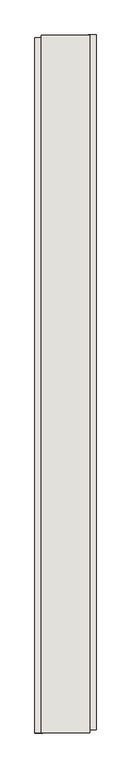
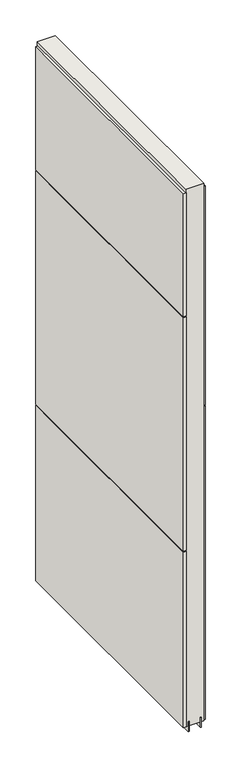
"""IFC4 building model written with IfcOpenShell, lengths in millimetres: wall geometry."""

from ifc_helpers import new_model, si_unit, frame, origin, place, context, project, spatial, polyline, outline, extrude, source, transform, mapped, element, save


def wall_a4df7e5d(model_context):
    return source(origin(), model_context, "Body", "SweptSolid", [
        extrude(outline(polyline([(48846.142211, -39473.6947634), (48846.142211, -39471.1547634), (48848.682211, -39471.1547634), (48848.682211, -39473.6947634), (48846.142211, -39473.6947634)])), frame((0.0, 0.0, 4419.6), z_axis=(0.0, 0.0, 1.0), x_axis=(1.0, 0.0, 0.0)), (0.0, 0.0, 1.0), 2.54),
        extrude(outline(polyline([(48898.212211, -39470.6896894), (48898.212211, -40626.0895122), (48885.512211, -40626.0895122), (48885.512211, -39470.6896894), (48898.212211, -39470.6896894)])), frame((0.0, 0.0, 5945.6000722), z_axis=(0.0, 0.0, 1.0), x_axis=(1.0, 0.0, 0.0)), (0.0, 0.0, 1.0), 1044.449905),
        extrude(outline(polyline([(48898.212211, -39470.6896894), (48898.212211, -40626.0895122), (48885.512211, -40626.0895122), (48885.512211, -39470.6896894), (48898.212211, -39470.6896894)])), frame((0.0, 0.0, 4445.0), z_axis=(0.0, 0.0, 1.0), x_axis=(1.0, 0.0, 0.0)), (0.0, 0.0, 1.0), 1496.600004),
        extrude(outline(polyline([(48796.612211, -40631.019449), (48796.612211, -39475.6196262), (48809.312211, -39475.6196262), (48809.312211, -40631.019449), (48796.612211, -40631.019449)])), frame((0.0, 0.0, 6402.8000722), z_axis=(0.0, 0.0, 1.0), x_axis=(1.0, 0.0, 0.0)), (0.0, 0.0, 1.0), 587.2498034),
        extrude(outline(polyline([(48796.612211, -40631.019449), (48796.612211, -39475.6196262), (48809.312211, -39475.6196262), (48809.312211, -40631.019449), (48796.612211, -40631.019449)])), frame((0.0, 0.0, 5285.2000722), z_axis=(0.0, 0.0, 1.0), x_axis=(1.0, 0.0, 0.0)), (0.0, 0.0, 1.0), 1113.5999572),
        extrude(outline(polyline([(48796.612211, -40631.019449), (48796.612211, -39475.6196262), (48809.312211, -39475.6196262), (48809.312211, -40631.019449), (48796.612211, -40631.019449)])), frame((0.0, 0.0, 4445.0), z_axis=(0.0, 0.0, 1.0), x_axis=(1.0, 0.0, 0.0)), (0.0, 0.0, 1.0), 836.200004),
        extrude(outline(polyline([(48872.4959556, -40630.5525208), (48872.4959556, -39471.1442224), (48877.574711, -39471.1442224), (48877.574711, -40630.5525208), (48872.4959556, -40630.5525208)])), frame((0.0, 0.0, 4418.6602), z_axis=(0.0, 0.0, 1.0), x_axis=(1.0, 0.0, 0.0)), (0.0, 0.0, 1.0), 47.625),
        extrude(outline(polyline([(48872.4959556, -40630.5525208), (48872.4959556, -39471.1442224), (48877.574711, -39471.1442224), (48877.574711, -40630.5525208), (48872.4959556, -40630.5525208)])), frame((0.0, 0.0, 4418.6602), z_axis=(0.0, 0.0, 1.0), x_axis=(1.0, 0.0, 0.0)), (0.0, 0.0, 1.0), 47.625),
        extrude(outline(polyline([(48822.3315652, -39471.1442224), (48822.3315652, -40630.5525208), (48817.249711, -40630.5525208), (48817.249711, -39471.1442224), (48822.3315652, -39471.1442224)])), frame((0.0, 0.0, 4418.6602), z_axis=(0.0, 0.0, 1.0), x_axis=(1.0, 0.0, 0.0)), (0.0, 0.0, 1.0), 47.625),
        extrude(outline(polyline([(48822.3315652, -39471.1442224), (48822.3315652, -40630.5525208), (48817.249711, -40630.5525208), (48817.249711, -39471.1442224), (48822.3315652, -39471.1442224)])), frame((0.0, 0.0, 4418.6602), z_axis=(0.0, 0.0, 1.0), x_axis=(1.0, 0.0, 0.0)), (0.0, 0.0, 1.0), 47.625),
        extrude(outline(polyline([(48888.0391808, -40630.5525208), (48806.7604254, -40630.5525208), (48806.7604254, -39471.1442224), (48888.0391808, -39471.1442224), (48888.0391808, -40630.5525208)])), frame((0.0, 0.0, 4445.0), z_axis=(0.0, 0.0, 1.0), x_axis=(1.0, 0.0, 0.0)), (0.0, 0.0, 1.0), 2562.4536762),
    ])


if __name__ == "__main__":
    model = new_model("IFC4")
    model_context = context("Model", 3, world=origin())
    ifc_project = project(units=[si_unit("LENGTHUNIT", "METRE", prefix="MILLI")], contexts=[model_context])
    site = spatial("IfcSite", under=ifc_project)
    building = spatial("IfcBuilding", under=site)
    placement = place(None, origin())
    wall_shape = wall_a4df7e5d(model_context)
    element("IfcWall", 1, at=placement, inside=building, context=model_context, shape_type="MappedRepresentation", body=[
        mapped(wall_shape, transform((0.0, 0.0, 0.0), x_axis=(1.0, 0.0, 0.0), y_axis=(0.0, 1.0, 0.0), z_axis=(0.0, 0.0, 1.0))),
    ])
    save(model, "model.ifc")
